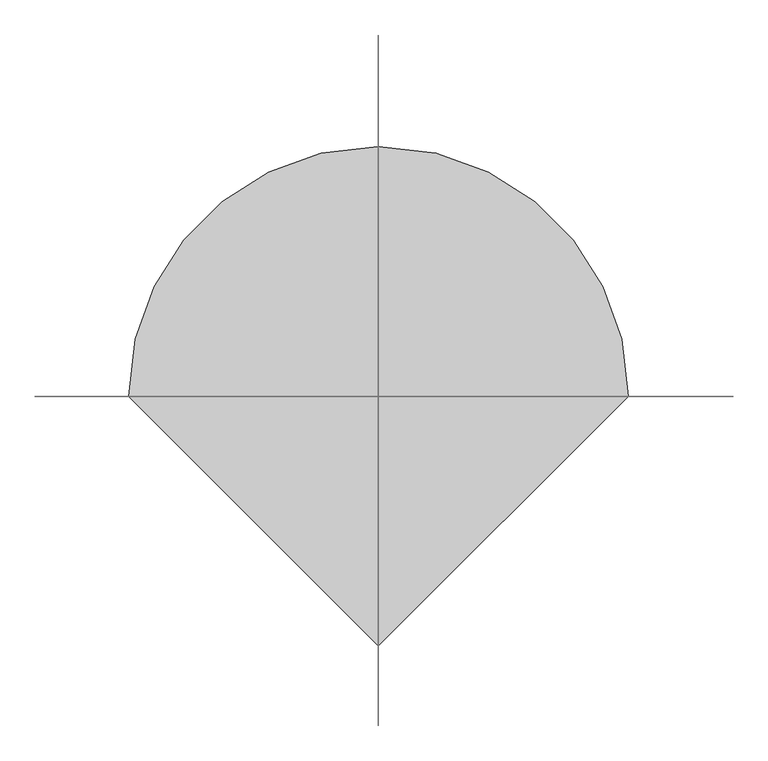
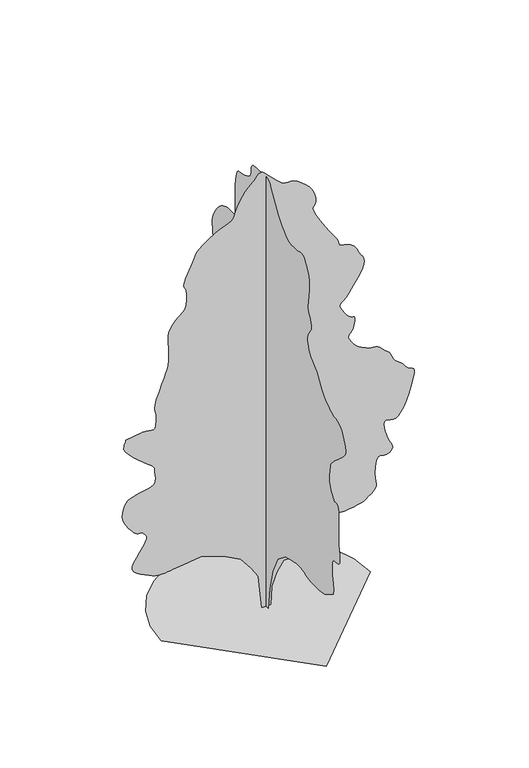
"""IFC4 building model written with IfcOpenShell, lengths in millimetres: geographic element geometry."""

from ifc_helpers import new_model, si_unit, origin, place, context, project, spatial, triangles, source, transform, mapped, element, save


def geographic_element_f8ac96a2(model_context):
    return source(origin(), model_context, "Body", "Tessellation", [
        triangles([(0.0009702, -113.8903684, 0.0), (0.0009702, 104.9033079, 0.0), (0.0009702, 123.1361794, 437.5878613), (0.0009702, 177.8345304, 729.3122423), (0.0009702, 323.695976, 1130.4323805), (0.0009702, 506.0246724, 1440.3905685), (0.0009702, 870.6795582, 1768.5802746), (0.0009702, 1217.103035, 1896.2098389), (0.0009702, 1399.4317314, 1823.2794067), (0.0009702, 1477.3590969, 1796.3301796), (0.0009702, 1554.013139, 1771.7700508), (0.0009702, 1628.1126858, 1751.9959671), (0.0009702, 1698.3871754, 1739.3994976), (0.0009702, 1763.5554359, 1736.3672699), (0.0009702, 1822.3466148, 1745.2987015), (0.0009702, 1873.4847725, 1768.5802746), (0.0009702, 1920.3683933, 1798.2414001), (0.0009702, 1967.2543396, 1825.0330788), (0.0009702, 2014.1379604, 1849.4330429), (0.0009702, 2061.0214359, 1871.9166996), (0.0009702, 2107.9049114, 1892.9691936), (0.0009702, 2154.791003, 1913.0611359), (0.0009702, 2201.6744785, 1932.6776711), (0.0009702, 2584.5657875, 1877.9785389), (0.0009702, 2650.9538864, 1862.4565212), (0.0009702, 2717.189669, 1847.572546), (0.0009702, 2783.0949486, 1833.9645103), (0.0009702, 2848.5426979, 1822.2703114), (0.0009702, 2913.3297318, 1813.1253754), (0.0009702, 2977.3287323, 1807.1728317), (0.0009702, 3040.3873833, 1805.0454906), (0.0009702, 3113.6890137, 1807.4372051), (0.0009702, 3202.6219574, 1815.2528618), (0.0009702, 3298.2390862, 1829.4454548), (0.0009702, 3391.6453033, 1850.9733559), (0.0009702, 3473.8681915, 1880.7946461), (0.0009702, 3536.0117821, 1919.865081), (0.0009702, 3569.129528, 1969.1428871), (0.0009702, 3581.5837097, 2022.776968), (0.0009702, 3588.2681854, 2074.4973576), (0.0009702, 3590.1744644, 2124.6265652), (0.0009702, 3588.2681854, 2173.4772171), (0.0009702, 3583.4899887, 2221.3724041), (0.0009702, 3576.7799332, 2268.6269325), (0.0009702, 3569.129528, 2315.5638931), (0.0009702, 3534.3595573, 2355.0611916), (0.0009702, 3502.0042648, 2397.1080437), (0.0009702, 3474.4018799, 2444.2583633), (0.0009702, 3453.9923698, 2499.0617043), (0.0009702, 3443.1648331, 2564.0798286), (0.0009702, 3444.2577896, 2641.8294434), (0.0009702, 3459.736496, 2734.9304466), (0.0009702, 3486.8051926, 2827.0402313), (0.0009702, 3517.6864471, 2902.5786438), (0.0009702, 3547.2965584, 2965.0271576), (0.0009702, 3570.5274078, 3017.919278), (0.0009702, 3582.270005, 3064.7620583), (0.0009702, 3577.4153595, 3109.0378441), (0.0009702, 3550.9059311, 3154.2792686), (0.0009702, 3512.0946373, 3195.2003174), (0.0009702, 3474.8846992, 3227.1998177), (0.0009702, 3440.877182, 3254.7513336), (0.0009702, 3411.622863, 3282.2775604), (0.0009702, 3388.7730949, 3314.2770607), (0.0009702, 3373.8789459, 3355.1978188), (0.0009702, 3368.5670609, 3409.5386879), (0.0009702, 3364.9071098, 3462.7863098), (0.0009702, 3357.1040977, 3500.7587013), (0.0009702, 3349.9112228, 3528.1834808), (0.0009702, 3348.1575508, 3549.8638435), (0.0009702, 3356.6212784, 3570.6038567), (0.0009702, 3380.0553131, 3595.1561371), (0.0009702, 3423.2634315, 3628.324752), (0.0009702, 3483.805957, 3682.2842491), (0.0009702, 3554.8963852, 3763.0330994), (0.0009702, 3634.7298843, 3866.097448), (0.0009702, 3721.5783623, 3987.0296013), (0.0009702, 3813.7137268, 4121.3565765), (0.0009702, 3909.3311462, 4264.6048096), (0.0009702, 4006.7275269, 4412.3260254), (0.0009702, 3897.3344948, 4521.7446373), (0.0009702, 3751.4683983, 4394.1024284), (0.0009702, 3605.6023018, 4230.012735), (0.0009702, 3582.0921089, 4261.5799942), (0.0009702, 3558.3019913, 4295.0791122), (0.0009702, 3533.825869, 4332.3907883), (0.0009702, 3508.4346863, 4375.4465904), (0.0009702, 3481.7470711, 4426.1527977), (0.0009702, 3453.4583908, 4486.4409782), (0.0009702, 3423.2634315, 4558.1921219), (0.0009702, 3392.2298607, 4631.6207794), (0.0009702, 3362.4668518, 4698.9495186), (0.0009702, 3335.2458389, 4765.3629066), (0.0009702, 3311.8623825, 4835.8940666), (0.0009702, 3293.5626274, 4915.6766968), (0.0009702, 3281.6674232, 5009.820369), (0.0009702, 3277.3976257, 5123.4070404), (0.0009702, 3269.2135323, 5238.2901443), (0.0009702, 3247.6346169, 5336.8812195), (0.0009702, 3217.1347343, 5425.3054733), (0.0009702, 3182.1615784, 5509.5363785), (0.0009702, 3147.1628426, 5595.7241409), (0.0009702, 3116.6626694, 5689.8416519), (0.0009702, 3095.0840446, 5798.0402802), (0.0009702, 3081.5877754, 5895.995929), (0.0009702, 3071.9040642, 5963.3499573), (0.0009702, 3065.4227737, 6011.8708328), (0.0009702, 3061.4831886, 6053.4014374), (0.0009702, 3059.4754623, 6099.6852402), (0.0009702, 3058.7130089, 6162.5657043), (0.0009702, 3058.6112709, 6253.8368774), (0.0009702, 3054.5699478, 6347.2939636), (0.0009702, 3044.1490723, 6416.5031113), (0.0009702, 3029.9159294, 6472.9537354), (0.0009702, 3014.3863541, 6528.1329254), (0.0009702, 3000.1529205, 6593.5300964), (0.0009702, 2989.732045, 6680.5817596), (0.0009702, 2985.6910126, 6800.8279083), (0.0009702, 2991.2572426, 6913.2710449), (0.0009702, 3003.5335281, 6981.3622375), (0.0009702, 3015.8351028, 7023.299794), (0.0009702, 3021.4013329, 7057.2564423), (0.0009702, 3013.5983208, 7101.4304901), (0.0009702, 2985.6910126, 7173.9946655), (0.0009702, 2930.9943512, 7293.1228592), (0.0009702, 2868.6219955, 7422.9759796), (0.0009702, 2820.6353897, 7519.3561432), (0.0009702, 2784.5945663, 7587.8281265), (0.0009702, 2758.1104271, 7633.959613), (0.0009702, 2738.8191628, 7663.366539), (0.0009702, 2724.3063858, 7681.5904266), (0.0009702, 2712.1827072, 7694.2477936), (0.0009702, 2638.2965195, 7706.295314), (0.0009702, 2566.4945068, 7720.4525894), (0.0009702, 2498.8201492, 7738.7270554), (0.0009702, 2437.3730278, 7763.2284668), (0.0009702, 2384.2140633, 7796.0415802), (0.0009702, 2341.4252506, 7839.1988297), (0.0009702, 2311.0701267, 7894.8105515), (0.0009702, 2290.8181652, 7956.2422668), (0.0009702, 2276.307859, 8015.7932831), (0.0009702, 2266.5783657, 8073.7182358), (0.0009702, 2260.6791618, 8130.3973343), (0.0009702, 2257.6495502, 8186.1102127), (0.0009702, 2256.5311592, 8241.1626663), (0.0009702, 2256.3736107, 8295.909906), (0.0009702, 2287.4708405, 8351.2169952), (0.0009702, 2317.6098438, 8410.0052673), (0.0009702, 2345.8350105, 8475.8088089), (0.0009702, 2371.1905849, 8552.134964), (0.0009702, 2392.7211021, 8642.5166565), (0.0009702, 2409.4655743, 8750.4100708), (0.0009702, 2420.468391, 8879.374292), (0.0009702, 2431.6847122, 9010.8290588), (0.0009702, 2445.4530579, 9127.2882294), (0.0009702, 2455.3934395, 9233.8852112), (0.0009702, 2455.1265953, 9335.6789978), (0.0009702, 2438.2752983, 9437.777417), (0.0009702, 2398.4601414, 9545.3150391), (0.0009702, 2329.3040428, 9663.3752747), (0.0009702, 2249.3560158, 9774.6498779), (0.0009702, 2178.6571335, 9861.3457489), (0.0009702, 2113.0620094, 9927.9370331), (0.0009702, 2048.4223503, 9978.9222931), (0.0009702, 1980.5955311, 10018.7256775), (0.0009702, 1905.430933, 10051.8434235), (0.0009702, 1818.7857857, 10082.7240967), (0.0009702, 1726.6656818, 10101.4566742), (0.0009702, 1639.9670494, 10102.9310028), (0.0009702, 1561.8795193, 10098.9905457), (0.0009702, 1495.593013, 10101.4566742), (0.0009702, 1444.2971615, 10122.0693695), (0.0009702, 1411.1792702, 10172.6732574), (0.0009702, 1399.4317314, 10265.0629669), (0.0009702, 1401.3455681, 10369.4751984), (0.0009702, 1405.8112839, 10455.052533), (0.0009702, 1410.9150421, 10532.0141144), (0.0009702, 1414.7402447, 10610.5767609), (0.0009702, 1415.3781418, 10700.9584534), (0.0009702, 1410.9150421, 10813.3248505), (0.0009702, 1399.4317314, 10957.9206757), (0.0009702, 1383.5921459, 11104.7268311), (0.0009702, 1366.4740047, 11219.3303009), (0.0009702, 1346.8066006, 11305.2390106), (0.0009702, 1323.3115231, 11365.9329803), (0.0009702, 1294.7126873, 11404.9480408), (0.0009702, 1259.7342991, 11425.7897919), (0.0009702, 1217.103035, 11431.9661591), (0.0009702, 1156.2403982, 11437.4809387), (0.0009702, 1074.0049381, 11453.8752869), (0.0009702, 980.2912542, 11480.765506), (0.0009702, 884.9789034, 11517.8737061), (0.0009702, 797.9625578, 11564.8440948), (0.0009702, 729.1241724, 11621.420874), (0.0009702, 688.3534052, 11687.2249969), (0.0009702, 673.3092653, 11757.0695709), (0.0009702, 668.4724966, 11824.0422272), (0.0009702, 663.953441, 11885.271048), (0.0009702, 649.8675276, 11937.9096954), (0.0009702, 616.3251709, 11979.0583466), (0.0009702, 553.4419089, 12005.8474091), (0.0009702, 451.3255403, 12015.4049652), (0.0009702, 328.0015635, 12019.089624), (0.0009702, 210.4196599, 12026.8926361), (0.0009702, 102.0858745, 12034.0608032), (0.0009702, 6.5099094, 12035.8141846), (0.0009702, -72.8000758, 12027.3751648), (0.0009702, -132.3357269, 12003.9417114), (0.0009702, -168.5887284, 11960.7083038), (0.0009702, -190.3829832, 11911.6031616), (0.0009702, -211.2205376, 11869.1824951), (0.0009702, -234.6091717, 11826.7618286), (0.0009702, -264.0583916, 11777.6322693), (0.0009702, -303.0754686, 11715.1325958), (0.0009702, -355.1693819, 11632.5283356), (0.0009702, -423.847639, 11523.1350128), (0.0009702, -499.9145076, 11406.6002655), (0.0009702, -572.4738868, 11305.3913269), (0.0009702, -642.4814232, 11216.9409119), (0.0009702, -710.8953432, 11138.6828979), (0.0009702, -778.6688227, 11068.1011597), (0.0009702, -846.7624861, 11002.602832), (0.0009702, -916.132089, 10939.6717896), (0.0009702, -984.3859171, 10887.6947296), (0.0009702, -1049.1321831, 10854.1956116), (0.0009702, -1111.3241718, 10835.3862946), (0.0009702, -1171.9249786, 10827.4065491), (0.0009702, -1231.8854176, 10826.440329), (0.0009702, -1292.1634243, 10828.6774017), (0.0009702, -1353.7199867, 10830.2784668), (0.0009702, -1420.0598328, 10835.869986), (0.0009702, -1491.503437, 10848.1459808), (0.0009702, -1564.2203648, 10860.4219757), (0.0009702, -1634.3881748, 10865.987915), (0.0009702, -1698.1762871, 10858.1860657), (0.0009702, -1751.7570282, 10830.2784668), (0.0009702, -1791.3078117, 10775.5818054), (0.0009702, -1825.3813133, 10707.9731415), (0.0009702, -1862.9623043, 10643.2119781), (0.0009702, -1900.8636246, 10577.5101746), (0.0009702, -1935.8928818, 10507.0295929), (0.0009702, -1964.8626251, 10427.9332581), (0.0009702, -1984.5859852, 10336.4074493), (0.0009702, -1991.8678082, 10228.5907745), (0.0009702, -1989.7404671, 10117.6463837), (0.0009702, -1983.7879234, 10017.5559814), (0.0009702, -1974.6456036, 9925.75112), (0.0009702, -1962.9514046, 9839.690094), (0.0009702, -1949.3433689, 9756.8323608), (0.0009702, -1934.4593937, 9674.6094727), (0.0009702, -1918.937376, 9590.455307), (0.0009702, -1915.5874352, 9511.6124451), (0.0009702, -1932.3319073, 9444.2584167), (0.0009702, -1962.471056, 9384.2498703), (0.0009702, -1999.3097958, 9327.4184555), (0.0009702, -2036.1486809, 9269.6464005), (0.0009702, -2066.2876842, 9206.7659363), (0.0009702, -2083.0321564, 9134.6331299), (0.0009702, -2082.5544239, 9064.6106598), (0.0009702, -2068.0415016, 9007.7025055), (0.0009702, -2043.3238243, 8959.0554749), (0.0009702, -2012.2265945, 8913.9152069), (0.0009702, -1978.5801018, 8867.5046677), (0.0009702, -1946.2069324, 8815.0444977), (0.0009702, -1918.937376, 8751.7320831), (0.0009702, -1903.0951744, 8679.3963821), (0.0009702, -1901.6083466, 8603.8579697), (0.0009702, -1913.1957207, 8526.4132782), (0.0009702, -1936.5841187, 8448.3337418), (0.0009702, -1970.4976009, 8370.8640518), (0.0009702, -2013.6625534, 8295.3256393), (0.0009702, -2064.7983856, 8222.9899384), (0.0009702, -2117.5835358, 8163.4133423), (0.0009702, -2167.8169521, 8119.1119766), (0.0009702, -2217.4124714, 8080.91082), (0.0009702, -2268.2837849, 8039.4819534), (0.0009702, -2322.3450199, 7985.6491928), (0.0009702, -2381.5072517, 7910.1113617), (0.0009702, -2447.6869331, 7803.6411163), (0.0009702, -2517.1100212, 7689.1899628), (0.0009702, -2585.5822952, 7593.5725433), (0.0009702, -2654.3597832, 7513.2303543), (0.0009702, -2724.7383362, 7444.7327911), (0.0009702, -2797.9890976, 7384.4951889), (0.0009702, -2875.3829201, 7329.0619446), (0.0009702, -2958.2156548, 7274.8733917), (0.0009702, -3041.988739, 7232.0463547), (0.0009702, -3121.6190529, 7206.7316208), (0.0009702, -3197.4115196, 7189.7280075), (0.0009702, -3269.6963516, 7171.7581741), (0.0009702, -3338.804052, 7143.596521), (0.0009702, -3405.0398346, 7095.9657074), (0.0009702, -3468.7339119, 7019.6145538), (0.0009702, -3527.5733437, 6926.1318878), (0.0009702, -3577.7967316, 6834.2252884), (0.0009702, -3617.5227951, 6745.4958206), (0.0009702, -3644.7693878, 6661.5701294), (0.0009702, -3657.7063889, 6583.9987015), (0.0009702, -3654.3516518, 6514.4337616), (0.0009702, -3632.8236053, 6454.3996353), (0.0009702, -3592.3603775, 6396.7293182), (0.0009702, -3536.9268425, 6334.585437), (0.0009702, -3471.6058296, 6270.2306442), (0.0009702, -3401.4816216, 6205.8502716), (0.0009702, -3331.6873352, 6143.7063904), (0.0009702, -3267.3072533, 6086.0360733), (0.0009702, -3213.4747833, 6035.0502319), (0.0009702, -3163.8615326, 5989.0210648), (0.0009702, -3111.4016533, 5943.6267426), (0.0009702, -3059.8821236, 5897.2667816), (0.0009702, -3013.1663704, 5848.3656967), (0.0009702, -2975.0666611, 5795.3206787), (0.0009702, -2949.3705551, 5736.5324066), (0.0009702, -2939.966478, 5670.3980713), (0.0009702, -2936.103051, 5601.0871857), (0.0009702, -2926.8007118, 5533.3517853), (0.0009702, -2915.5665138, 5466.6076035), (0.0009702, -2905.9589607, 5400.1430557), (0.0009702, -2901.4348183, 5333.3738754), (0.0009702, -2905.5270103, 5265.6640549), (0.0009702, -2921.7425903, 5196.3525879), (0.0009702, -2946.7779808, 5129.7357239), (0.0009702, -2974.6855797, 5069.8289154), (0.0009702, -3004.9822769, 5015.5136261), (0.0009702, -3037.1849625, 4965.6457397), (0.0009702, -3070.8366875, 4919.1334625), (0.0009702, -3105.4540512, 4874.8579674), (0.0009702, -3140.5289452, 4831.7004272), (0.0009702, -3183.2289551, 4838.4866409), (0.0009702, -3224.1497131, 4839.2490944), (0.0009702, -3261.5631271, 4827.8625801), (0.0009702, -3293.7405235, 4798.3030472), (0.0009702, -3318.8773613, 4744.5214462), (0.0009702, -3335.2458389, 4660.4178589), (0.0009702, -3341.091703, 4539.9685249), (0.0009702, -3341.091703, 3938.280542), (0.0009702, -3347.8014679, 3760.110022), (0.0009702, -3363.4327812, 3613.5070518), (0.0009702, -3381.2752968, 3494.3285706), (0.0009702, -3394.669828, 3398.431517), (0.0009702, -3396.9066101, 3321.6734116), (0.0009702, -3381.2752968, 3259.8856133), (0.0009702, -3341.091703, 3208.97593), (0.0009702, -3283.7263092, 3180.3314575), (0.0009702, -3223.8192101, 3176.2392654), (0.0009702, -3165.5134666, 3178.8318398), (0.0009702, -3112.9518494, 3170.2663742), (0.0009702, -3070.2521301, 3132.7006439), (0.0009702, -3041.6073669, 3048.2159752), (0.0009702, -3031.1359131, 2899.0201401), (0.0009702, -3038.0491539, 2734.6002342), (0.0009702, -3055.1545052, 2610.6941345), (0.0009702, -3077.063633, 2518.6782394), (0.0009702, -3098.3373344, 2449.9466789), (0.0009702, -3113.5366974, 2395.8854439), (0.0009702, -3117.2475174, 2347.8835773), (0.0009702, -3104.0561714, 2297.3324478), (0.0009702, -3091.0935905, 2255.656794), (0.0009702, -3091.8307549, 2234.0755531), (0.0009702, -3095.4654167, 2223.6572937), (0.0009702, -3091.0935905, 2215.4705841), (0.0009702, -3067.9136101, 2200.5866089), (0.0009702, -3015.0726494, 2170.0739365), (0.0009702, -2921.7425903, 2115.0037514), (0.0009702, -2824.1936028, 2054.1919109), (0.0009702, -2755.3655365, 2010.2847073), (0.0009702, -2699.2709953, 1980.0923641), (0.0009702, -2639.9993225, 1960.4249599), (0.0009702, -2561.6145721, 1948.0928638), (0.0009702, -2448.113942, 1939.9061543), (0.0009702, -2283.5922981, 1932.6776711), (0.0009702, -2107.2721012, 1934.9625607), (0.0009702, -1964.7584164, 1953.1938606), (0.0009702, -1849.6719818, 1980.9971054), (0.0009702, -1755.6381866, 2011.9851849), (0.0009702, -1676.2747169, 2039.7858135), (0.0009702, -1605.2047817, 2058.0197296), (0.0009702, -1536.0486832, 2060.3046192), (0.0009702, -1461.4686424, 2050.3642376), (0.0009702, -1379.2357258, 2036.5985081), (0.0009702, -1290.6231113, 2019.6406769), (0.0009702, -1196.9070293, 2000.133292), (0.0009702, -1099.3655994, 1978.7095997), (0.0009702, -999.2698923, 1956.0125839), (0.0009702, -897.9007164, 1932.6776711), (0.0009702, -533.2433235, 1640.9507103), (0.0009702, -314.4519545, 1166.90014), (0.0009702, -168.5887284, 601.682678), (120.2564769, -0.0005338, 0.0085401), (-116.7693169, -0.0005338, 0.0085401), (-171.467677, -0.0004852, 656.3894405), (-207.9336561, -0.0004852, 911.6485691), (-390.2621163, -0.000461, 1203.3729864), (-663.7526539, -0.0004367, 1549.7965359), (-1137.805695, -0.0004124, 1805.0556644), (-1721.2570004, -0.0004124, 1987.3818901), (-2195.3075706, -0.0004124, 1932.6852287), (-2468.8007607, -0.0004124, 1896.2200127), (-2535.4583199, -0.0004124, 1886.7040237), (-2609.1436478, -0.0004124, 1875.9120953), (-2687.9097702, -0.0004124, 1867.0366196), (-2769.8783134, -0.0004124, 1863.262286), (-2853.1177094, -0.0004124, 1867.7813416), (-2935.7219696, -0.0004124, 1883.7810917), (-3015.7842339, -0.0004124, 1914.4513126), (-3106.3182426, -0.0004124, 1956.8716885), (-3213.0934113, -0.0004124, 2005.9868591), (-3323.4015038, -0.0004124, 2061.804237), (-3424.4581261, -0.0004124, 2124.3164097), (-3503.5038826, -0.0003882, 2193.525848), (-3547.7796684, -0.0003882, 2269.4326973), (-3544.5263786, -0.0003882, 2352.039283), (-3497.4801224, -0.0003882, 2448.8383163), (-3427.1777275, -0.0003882, 2561.5889923), (-3345.9969269, -0.0003639, 2681.6572449), (-3266.417482, -0.0003639, 2800.4799339), (-3200.8679947, -0.0003639, 2909.3901466), (-3161.8026466, -0.0003397, 2999.7971283), (-3161.6503304, -0.0003397, 3063.1098335), (-3185.0843651, -0.0003397, 3105.2252861), (-3208.5183998, -0.0003397, 3138.699115), (-3231.9780144, -0.0003397, 3165.0306473), (-3255.4120491, -0.0003397, 3185.5927643), (-3278.8463745, -0.0003397, 3201.8592133), (-3302.3056984, -0.0003397, 3215.2540352), (-3325.7400238, -0.0003397, 3227.2251068), (-3349.3519547, -0.0003397, 3223.6921829), (-3373.9045258, -0.0003397, 3222.5992264), (-3400.3630852, -0.0003397, 3226.2591774), (-3429.7194328, -0.0003397, 3237.112294), (-3462.8880478, -0.0003397, 3257.521804), (-3500.8351501, -0.0003397, 3289.8770966), (-3544.5263786, -0.0003397, 3336.6181389), (-3595.9950394, -0.0003397, 3397.7452217), (-3652.5468201, -0.0003154, 3470.66548), (-3708.1585419, -0.0003154, 3553.8034286), (-3756.729705, -0.0003154, 3645.5574211), (-3792.2368401, -0.0003154, 3744.3263924), (-3808.6303162, -0.0002911, 3848.5089867), (-3799.7855072, -0.0002911, 3956.5297188), (-3773.9112144, -0.0002911, 4054.2313133), (-3742.2675064, -0.0002911, 4130.8876808), (-3703.6343994, -0.0002911, 4189.9814575), (-3656.6898811, -0.0002669, 4235.0705658), (-3600.1886787, -0.0002669, 4269.6117714), (-3532.8346504, -0.0002669, 4297.1632874), (-3453.3822327, -0.0002669, 4321.1821701), (-3359.0103767, -0.0002669, 4341.1594391), (-3254.4716995, -0.0002669, 4358.2903702), (-3149.5772301, -0.0002669, 4378.5981422), (-3054.2650246, -0.0002669, 4408.1576752), (-2978.4216888, -0.0002669, 4453.0180183), (-2931.9094116, -0.0002669, 4519.253801), (-2924.6147987, -0.0002669, 4612.9140724), (-2935.5184937, -0.0002426, 4710.7174049), (-2940.3475594, -0.0002426, 4788.1109367), (-2944.2365662, -0.0002426, 4849.2380196), (-2952.2680527, -0.0002426, 4898.2411331), (-2969.5260109, -0.0002426, 4939.289209), (-3001.1697189, -0.0002426, 4976.499147), (-3052.2570076, -0.0002426, 5014.0392975), (-3137.5552895, -0.0002184, 5075.3698563), (-3257.0134048, -0.0002184, 5172.1052307), (-3393.3481064, -0.0002184, 5290.5468384), (-3529.3778847, -0.0002184, 5416.9437744), (-3647.8703613, -0.0001941, 5537.6218735), (-3731.5925766, -0.0001941, 5638.8308121), (-3763.3380226, -0.0001941, 5706.870845), (-3761.7366669, -0.0001941, 5751.0960526), (-3757.2633934, -0.0001941, 5790.542482), (-3750.4010216, -0.0001941, 5825.9990387), (-3741.6320801, -0.0001698, 5858.2523026), (-3731.4402603, -0.0001698, 5888.1423386), (-3720.2822205, -0.0001698, 5916.4057297), (-3708.6413612, -0.0001698, 5943.9063766), (-3271.0433624, -0.0001698, 6016.8269257), (-3176.2139763, -0.0001698, 6018.4279907), (-3095.0840446, -0.0001698, 6002.7969681), (-3028.0096504, -0.0001698, 5986.1997253), (-2975.270137, -0.0001698, 5984.9288727), (-2937.2212967, -0.0001698, 6015.2252792), (-2914.1430542, -0.0001698, 6093.3815552), (-2906.3912018, -0.0001698, 6235.6129898), (-2912.8722015, -0.0001456, 6381.32677), (-2927.0038971, -0.0001456, 6474.7326965), (-2940.8306694, -0.0001456, 6539.4182831), (-2946.3713196, -0.0001456, 6598.9948792), (-2935.6202316, -0.0001213, 6677.0999954), (-2900.646785, -0.0001213, 6797.2694046), (-2833.4453636, -0.0001213, 6983.1667786), (-2756.1532791, -9.7e-05, 7180.2727707), (-2695.1535141, -9.7e-05, 7329.8496872), (-2648.7935532, -9.7e-05, 7449.1296158), (-2615.5232002, -7.28e-05, 7555.3458069), (-2593.7158104, -7.28e-05, 7665.7047684), (-2581.8208969, -7.28e-05, 7797.4135895), (-2578.186235, -4.85e-05, 7967.7305191), (-2581.6935791, -4.85e-05, 8141.3007385), (-2588.4036346, -4.85e-05, 8277.8644958), (-2592.5466957, -2.43e-05, 8387.3083969), (-2588.4036346, -2.43e-05, 8479.5452087), (-2570.2309067, -2.43e-05, 8564.4365387), (-2532.2710144, -2.43e-05, 8651.8701553), (-2468.8007607, 0.0, 8751.7570816), (-2395.1254612, 0.0, 8844.6043213), (-2330.3791225, 0.0, 8909.7218582), (-2274.5642155, 0.0, 8955.0650208), (-2227.68074, 0.0, 8988.6147171), (-2189.7260799, 0.0, 9018.326857), (-2160.7028515, 0.0, 9052.1817673), (-2140.6084385, 0.0, 9098.1603561), (-2127.1072277, 2.43e-05, 9141.3431854), (-2117.4335449, 2.43e-05, 9168.8694122), (-2110.9473129, 2.43e-05, 9191.9476547), (-2107.0152855, 2.43e-05, 9221.7109543), (-2104.9947693, 2.43e-05, 9269.3411865), (-2104.2500473, 2.43e-05, 9345.9981354), (-2104.1458385, 2.43e-05, 9462.8380966), (-2114.4572731, 4.85e-05, 9573.8324844), (-2137.5279579, 4.85e-05, 9640.805722), (-2161.5543983, 4.85e-05, 9686.7331512), (-2174.7354252, 4.85e-05, 9734.5674408), (-2165.2753922, 4.85e-05, 9807.2839325), (-2121.3655724, 7.28e-05, 9927.8358765), (-2031.2127903, 7.28e-05, 10119.1974518), (-1940.7398243, 7.28e-05, 10312.5926239), (-1890.1352097, 9.7e-05, 10438.3535522), (-1858.9846401, 9.7e-05, 10518.2126312), (-1826.878315, 9.7e-05, 10573.7987732), (-1773.4017826, 9.7e-05, 10626.8687897), (-1678.1453876, 9.7e-05, 10699.051593), (-1520.6945332, 0.0001213, 10812.0539978), (-1342.5671791, 0.0001213, 10924.4715546), (-1196.3325731, 0.0001213, 10992.588327), (-1078.1655853, 0.0001213, 11034.5264648), (-984.2359262, 0.0001213, 11068.4825317), (-910.7208641, 0.0001213, 11112.6565796), (-853.7901821, 0.0001456, 11185.220755), (-809.6160616, 0.0001456, 11304.34953), (-760.4450804, 0.0001456, 11447.9779724), (-695.3276888, 0.0001698, 11580.450119), (-620.643512, 0.0001698, 11699.5009918), (-542.7694862, 0.0001698, 11802.9470032), (-468.0827296, 0.0001698, 11888.5243378), (-402.9678815, 0.0001698, 11954.0238281), (-353.7968639, 0.0001941, 11997.1804962), (-315.471151, 0.0001941, 12037.745462), (-277.1428764, 0.0001941, 12089.4690491), (-236.5850686, 0.0001941, 12141.1914734), (-191.5607819, 0.0001941, 12181.7564392), (-139.8392205, 0.0001941, 12199.9797455), (-79.1872722, 0.0001941, 12184.7295135), (-7.3724481, 0.0001941, 12124.8227051), (68.5354197, 0.0001941, 12043.2102448), (139.977993, 0.0001941, 11969.908905), (206.9556271, 0.0001698, 11904.2570984), (269.4670549, 0.0001698, 11845.6467224), (327.5160916, 0.0001698, 11793.3906097), (381.0968691, 0.0001698, 11746.8783325), (430.2145105, 0.0001698, 11705.4738831), (477.6292036, 0.0001698, 11680.1079895), (528.2362527, 0.0001698, 11674.5164703), (585.2203471, 0.0001698, 11677.2360718), (651.7711905, 0.0001698, 11676.7535431), (731.0812477, 0.0001698, 11661.6044678), (826.3377153, 0.0001698, 11620.3035004), (940.7328403, 0.0001456, 11541.3594818), (1053.7961426, 0.0001456, 11441.8527649), (1144.2183123, 0.0001456, 11345.8539734), (1213.9056284, 0.0001456, 11252.3968872), (1264.7770145, 0.0001456, 11160.5420288), (1298.7438366, 0.0001213, 11069.3208527), (1317.7198586, 0.0001213, 10977.7962067), (1323.6215332, 0.0001213, 10884.9751282), (1311.5003254, 0.0001213, 10814.3922272), (1284.7112629, 0.0001213, 10775.7085419), (1257.5994003, 0.0001213, 10747.1916779), (1244.5224369, 9.7e-05, 10707.2359772), (1259.8334209, 9.7e-05, 10634.0869537), (1317.8800232, 9.7e-05, 10506.0889526), (1433.0173267, 7.28e-05, 10301.536322), (1569.3648182, 7.28e-05, 10081.0462921), (1682.1104073, 4.85e-05, 9912.8646973), (1772.2123203, 4.85e-05, 9786.7735565), (1840.6236969, 4.85e-05, 9692.579306), (1888.3052341, 4.85e-05, 9620.0657089), (1916.2126877, 4.85e-05, 9559.0403641), (1925.3042839, 2.43e-05, 9499.2858719), (1944.8648632, 2.43e-05, 9450.4859436), (1996.9587765, 2.43e-05, 9421.4598083), (2071.6963657, 2.43e-05, 9400.7453751), (2159.1930599, 2.43e-05, 9376.8282303), (2249.5593464, 2.43e-05, 9338.2207031), (2332.9106541, 2.43e-05, 9273.4845383), (2399.357325, 2.43e-05, 9171.106485), (2456.2346672, 0.0, 9061.1794739), (2512.7942963, 0.0, 8974.8388138), (2562.0212334, 0.0, 8902.2234787), (2596.892942, 0.0, 8833.4462814), (2610.3889206, 0.0, 8758.594455), (2595.4947716, -2.43e-05, 8667.8063919), (2545.2208054, -2.43e-05, 8551.1949051), (2482.9728607, -2.43e-05, 8437.658812), (2433.4843117, -2.43e-05, 8355.0289719), (2391.6484932, -2.43e-05, 8291.8944534), (2352.3645538, -4.85e-05, 8236.714682), (2310.5313515, -4.85e-05, 8178.0275665), (2261.0426571, -4.85e-05, 8104.3448547), (2198.7947124, -4.85e-05, 8004.2032928), (2128.4161594, -4.85e-05, 7909.2218811), (2062.1829929, -7.28e-05, 7849.3144913), (2006.4747654, -7.28e-05, 7810.4523285), (1967.6687038, -7.28e-05, 7778.6054352), (1952.1466862, -7.28e-05, 7739.7432724), (1966.2885555, -7.28e-05, 7679.8364639), (2016.4686321, -7.28e-05, 7584.8544708), (2082.0104164, -7.28e-05, 7483.0612656), (2138.9410984, -9.7e-05, 7408.9971817), (2188.6941662, -9.7e-05, 7358.0874985), (2232.7106655, -9.7e-05, 7325.6557571), (2272.4165268, -9.7e-05, 7307.1016571), (2309.2554119, -9.7e-05, 7297.7993179), (2344.6581928, -9.7e-05, 7293.1228592), (2348.3791866, -9.7e-05, 7265.4187363), (2350.9844055, -9.7e-05, 7235.6554367), (2351.3554585, -9.7e-05, 7201.7499481), (2348.3791866, -9.7e-05, 7161.6169327), (2340.937199, -9.7e-05, 7113.1983765), (2327.9137207, -0.0001213, 7054.409523), (2308.1929768, -0.0001213, 6983.1667786), (2279.3272968, -0.0001213, 6918.9643021), (2244.7225777, -0.0001213, 6875.7814728), (2212.0316952, -0.0001213, 6843.4770493), (2188.9076706, -0.0001213, 6811.7824722), (2183.0084667, -0.0001213, 6770.5315018), (2201.9844887, -0.0001213, 6709.5061569), (2253.4938446, -0.0001456, 6618.5146179), (2323.6615093, -0.0001456, 6523.7866791), (2392.871093, -0.0001456, 6454.5775314), (2460.1666946, -0.0001456, 6405.1421768), (2524.592704, -0.0001456, 6369.7367798), (2585.2012138, -0.0001456, 6342.6169235), (2641.0161209, -0.0001456, 6318.0643524), (2691.0869019, -0.0001456, 6290.3096512), (2740.0391464, -0.0001456, 6267.8924149), (2792.4990257, -0.0001456, 6258.2087036), (2847.5261902, -0.0001698, 6253.9641953), (2904.1291306, -0.0001698, 6247.7878281), (2961.3927864, -0.0001698, 6232.3852798), (3018.3259392, -0.0001698, 6200.3854889), (3073.9629501, -0.0001698, 6144.4691345), (3123.499752, -0.0001698, 6088.0696701), (3164.4460899, -0.0001698, 6052.7148514), (3199.3177986, -0.0001698, 6028.2134399), (3230.6818726, -0.0001698, 6004.3474548), (3261.0800171, -0.0001698, 5970.8989151), (3293.0795174, -0.0001698, 5917.7021622), (3329.2220787, -0.0001941, 5834.5136353), (3369.5326996, -0.0001941, 5750.0792542), (3412.6902397, -0.0001941, 5692.7903091), (3459.3551239, -0.0001941, 5651.7422333), (3510.1630692, -0.0001941, 5616.1339417), (3565.7745003, -0.0001941, 5575.0858658), (3626.7998451, -0.0001941, 5517.7969208), (3693.8742393, -0.0002184, 5433.3881195), (3762.397673, -0.0002184, 5358.4345551), (3824.5412636, -0.0002184, 5322.6989456), (3876.1625313, -0.0002184, 5305.1610626), (3913.0928352, -0.0002184, 5284.7518433), (3931.240274, -0.0002184, 5240.4248978), (3926.3856285, -0.0002184, 5151.1111633), (3894.4369972, -0.0002426, 4995.7904114), (3842.4090683, -0.0002426, 4804.5808617), (3781.7395157, -0.0002669, 4624.8598549), (3715.0464935, -0.0002669, 4461.4055878), (3644.8202568, -0.0002669, 4318.996257), (3573.6536705, -0.0002911, 4202.4356392), (3504.0628601, -0.0002911, 4116.4766418), (3438.6151108, -0.0002911, 4065.9230415), (3370.8035522, -0.0002911, 4054.7141327), (3297.8580048, -0.0002911, 4069.9640739), (3228.1145874, -0.0002911, 4091.2886444), (3169.859713, -0.0002911, 4098.2527542), (3131.3789223, -0.0002911, 4070.447184), (3120.9583374, -0.0002911, 3987.4618423), (3146.9084976, -0.0002911, 3828.8875099), (3198.9364265, -0.0003154, 3650.9201752), (3255.1327057, -0.0003154, 3516.974572), (3306.2199944, -0.0003154, 3417.4684364), (3342.947113, -0.0003397, 3342.8197952), (3356.0620102, -0.0003397, 3283.4975441), (3336.3640846, -0.0003397, 3229.9194191), (3274.5254173, -0.0003397, 3172.5031563), (3194.0056229, -0.0003397, 3136.309726), (3123.6779388, -0.0003397, 3137.4282623), (3062.601725, -0.0003397, 3152.9069687), (3009.8113426, -0.0003397, 3159.7693405), (2964.3664421, -0.0003397, 3135.039164), (2925.3010941, -0.0003397, 3055.7899315), (2891.649369, -0.0003639, 2899.0201401), (2877.9752037, -0.0003639, 2720.900489), (2889.514325, -0.0003882, 2585.8110603), (2911.2455566, -0.0003882, 2483.2830162), (2928.2238808, -0.0003882, 2402.7504318), (2925.402832, -0.0003882, 2333.7011581), (2887.8115219, -0.0003882, 2265.6074947), (2800.4799339, -0.0003882, 2187.9443573), (2703.3631874, -0.0004124, 2116.500753), (2637.5084862, -0.0004124, 2069.6172775), (2589.4965912, -0.0004124, 2040.5940491), (2545.9579697, -0.0004124, 2022.733802), (2493.4954742, -0.0004124, 2009.3366547), (2418.7045452, -0.0004124, 1993.7079575), (2308.1929768, -0.0004124, 1969.1504448), (2183.5396843, -0.0004124, 1948.1537613), (2072.2835392, -0.0004124, 1944.0592438), (1969.9562096, -0.0004124, 1951.4503624), (1872.0945957, -0.0004124, 1964.8982334), (1774.2329819, -0.0004124, 1978.9841469), (1671.9056522, -0.0004124, 1988.2866314), (1560.6493618, -0.0004124, 1987.3818901), (1455.6634735, -0.0004124, 1977.4413631), (1372.6858349, -0.0004124, 1963.675779), (1308.0463211, -0.0004124, 1946.7178024), (1258.0797489, -0.0004124, 1927.2105629), (1219.1160662, -0.0004124, 1905.7868706), (1187.4876188, -0.0004124, 1883.0898548), (1159.5267529, -0.0004124, 1859.7547966), (1159.2064962, -0.0004367, 1762.4244003), (1156.9749464, -0.0004367, 1667.1653893), (1150.9131071, -0.0004367, 1576.0569969), (1139.1146994, -0.0004367, 1491.1653763), (1119.6582561, -0.0004367, 1414.5648193), (1090.6350277, -0.000461, 1348.3316528), (1050.1285612, -0.000461, 1294.5374073), (1004.8386658, -0.000461, 1252.4372154), (962.4208334, -0.000461, 1218.9482712), (922.3921721, -0.000461, 1192.6370138), (884.2799635, -0.000461, 1172.0647957), (847.601243, -0.000461, 1155.7981287), (811.8806763, -0.000461, 1142.401054), (776.6379873, -0.000461, 1130.4425543), (466.6797266, -0.000461, 1130.4425543), (284.3510302, -0.0004852, 856.949437), (156.7227194, -0.0005095, 510.5259602), (-2767.8705872, 0.0, 0.0100928), (-2694.6959839, 634.2159393, 0.0100928), (-2486.310157, 1216.6404905, 0.0100928), (-2159.3761883, 1730.5900063, 0.0100928), (-1730.5900063, 2159.3761883, 0.0100928), (-1216.6404905, 2486.310157, 0.0100928), (-634.2159393, 2694.6959839, 0.0100928), (0.000121, 2767.8705872, 0.0100928), (634.2159393, 2694.6959839, 0.0100928), (1216.6404905, 2486.310157, 0.0100928), (1730.5900063, 2159.3761883, 0.0100928), (2159.3761883, 1730.5900063, 0.0100928), (2486.310157, 1216.6404905, 0.0100928), (2694.6959839, 634.2159393, 0.0100928), (2767.8705872, -0.0002426, 0.0100928), (-0.000363, -2767.8705872, 0.0100928)], [[2, 1, 3], [1, 388, 3], [3, 388, 4], [388, 387, 4], [4, 387, 5], [81, 80, 82], [80, 79, 82], [82, 79, 83], [79, 78, 83], [78, 77, 83], [5, 387, 6], [387, 386, 6], [77, 76, 83], [6, 386, 7], [360, 359, 361], [361, 359, 362], [386, 385, 7], [76, 75, 83], [83, 75, 84], [84, 75, 85], [75, 74, 85], [74, 73, 85], [85, 73, 86], [73, 72, 86], [86, 72, 87], [359, 358, 362], [362, 358, 363], [87, 72, 88], [132, 131, 133], [72, 71, 88], [131, 130, 133], [130, 129, 133], [88, 71, 89], [45, 44, 46], [129, 128, 133], [89, 71, 90], [208, 207, 209], [209, 207, 210], [207, 206, 210], [206, 205, 210], [210, 205, 211], [211, 205, 212], [205, 204, 212], [212, 204, 213], [204, 203, 213], [213, 203, 214], [214, 203, 215], [203, 202, 215], [215, 202, 216], [202, 201, 216], [201, 200, 216], [200, 199, 216], [199, 198, 216], [198, 197, 216], [197, 196, 216], [196, 195, 216], [195, 194, 216], [216, 194, 217], [194, 193, 217], [217, 193, 218], [218, 193, 219], [193, 192, 219], [219, 192, 220], [192, 191, 220], [220, 191, 221], [221, 191, 222], [191, 190, 222], [222, 190, 223], [133, 128, 134], [128, 127, 134], [90, 71, 91], [236, 235, 237], [235, 234, 237], [234, 233, 237], [237, 233, 238], [233, 232, 238], [238, 232, 239], [232, 231, 239], [239, 231, 240], [240, 231, 241], [241, 231, 242], [231, 230, 242], [242, 230, 243], [243, 230, 244], [244, 230, 245], [230, 229, 245], [245, 229, 246], [229, 228, 246], [246, 228, 247], [228, 227, 247], [247, 227, 248], [248, 227, 249], [227, 226, 249], [249, 226, 250], [250, 226, 251], [226, 225, 251], [251, 225, 252], [225, 224, 252], [91, 71, 92], [190, 189, 223], [331, 330, 332], [332, 330, 333], [330, 329, 333], [333, 329, 334], [329, 328, 334], [334, 328, 335], [335, 328, 336], [328, 327, 336], [7, 385, 8], [343, 342, 344], [342, 341, 344], [344, 341, 345], [341, 340, 345], [345, 340, 346], [340, 339, 346], [346, 339, 347], [339, 338, 347], [338, 337, 347], [347, 337, 348], [337, 336, 348], [336, 327, 348], [327, 326, 348], [326, 325, 348], [325, 324, 348], [324, 323, 348], [127, 126, 134], [134, 126, 135], [358, 357, 363], [363, 357, 364], [357, 356, 364], [356, 355, 364], [355, 354, 364], [354, 353, 364], [364, 353, 365], [353, 352, 365], [365, 352, 366], [366, 352, 367], [367, 352, 368], [368, 352, 369], [369, 352, 370], [352, 351, 370], [370, 351, 371], [371, 351, 372], [351, 350, 372], [372, 350, 373], [373, 350, 374], [374, 350, 375], [375, 350, 376], [350, 349, 376], [376, 349, 377], [349, 348, 377], [348, 323, 377], [377, 323, 378], [378, 323, 379], [379, 323, 380], [323, 322, 380], [380, 322, 381], [381, 322, 382], [322, 321, 382], [382, 321, 383], [383, 321, 384], [384, 321, 385], [385, 321, 8], [321, 320, 8], [320, 319, 8], [319, 318, 8], [318, 317, 8], [317, 316, 8], [316, 315, 8], [315, 314, 8], [314, 313, 8], [58, 57, 59], [57, 56, 59], [59, 56, 60], [56, 55, 60], [60, 55, 61], [55, 54, 61], [61, 54, 62], [54, 53, 62], [62, 53, 63], [63, 53, 64], [53, 52, 64], [37, 36, 38], [38, 36, 39], [36, 35, 39], [39, 35, 40], [40, 35, 41], [35, 34, 41], [41, 34, 42], [42, 34, 43], [34, 33, 43], [43, 33, 44], [44, 33, 46], [46, 33, 47], [33, 32, 47], [47, 32, 48], [32, 31, 48], [31, 30, 48], [48, 30, 49], [30, 29, 49], [29, 28, 49], [28, 27, 49], [27, 26, 49], [49, 26, 50], [26, 25, 50], [25, 24, 50], [50, 24, 51], [24, 23, 51], [51, 23, 52], [52, 23, 64], [64, 23, 65], [65, 23, 66], [66, 23, 67], [67, 23, 68], [68, 23, 69], [69, 23, 70], [23, 22, 70], [22, 21, 70], [21, 20, 70], [20, 19, 70], [19, 18, 70], [126, 125, 135], [135, 125, 136], [223, 189, 224], [224, 189, 252], [252, 189, 253], [189, 188, 253], [188, 187, 253], [187, 186, 253], [186, 185, 253], [185, 184, 253], [184, 183, 253], [183, 182, 253], [182, 181, 253], [181, 180, 253], [180, 179, 253], [179, 178, 253], [178, 177, 253], [177, 176, 253], [176, 175, 253], [175, 174, 253], [174, 173, 253], [173, 172, 253], [253, 172, 254], [254, 172, 255], [255, 172, 256], [256, 172, 257], [257, 172, 258], [258, 172, 259], [259, 172, 260], [260, 172, 261], [261, 172, 262], [262, 172, 263], [263, 172, 264], [264, 172, 265], [265, 172, 266], [266, 172, 267], [267, 172, 268], [268, 172, 269], [172, 171, 269], [269, 171, 270], [270, 171, 271], [171, 170, 271], [271, 170, 272], [170, 169, 272], [169, 168, 272], [168, 167, 272], [167, 166, 272], [166, 165, 272], [165, 164, 272], [164, 163, 272], [163, 162, 272], [162, 161, 272], [161, 160, 272], [160, 159, 272], [159, 158, 272], [158, 157, 272], [157, 156, 272], [156, 155, 272], [155, 154, 272], [154, 153, 272], [153, 152, 272], [152, 151, 272], [151, 150, 272], [150, 149, 272], [149, 148, 272], [148, 147, 272], [147, 146, 272], [146, 145, 272], [145, 144, 272], [144, 143, 272], [143, 142, 272], [142, 141, 272], [141, 140, 272], [140, 139, 272], [139, 138, 272], [272, 138, 273], [273, 138, 274], [138, 137, 274], [274, 137, 275], [275, 137, 276], [276, 137, 277], [277, 137, 278], [278, 137, 279], [279, 137, 280], [280, 137, 281], [281, 137, 282], [282, 137, 283], [137, 136, 283], [136, 125, 283], [125, 124, 283], [124, 123, 283], [123, 122, 283], [122, 121, 283], [121, 120, 283], [120, 119, 283], [119, 118, 283], [118, 117, 283], [117, 116, 283], [116, 115, 283], [115, 114, 283], [114, 113, 283], [113, 112, 283], [112, 111, 283], [111, 110, 283], [110, 109, 283], [109, 108, 283], [108, 107, 283], [107, 106, 283], [106, 105, 283], [105, 104, 283], [104, 103, 283], [283, 103, 284], [103, 102, 284], [284, 102, 285], [102, 101, 285], [101, 100, 285], [100, 99, 285], [99, 98, 285], [98, 97, 285], [97, 96, 285], [96, 95, 285], [95, 94, 285], [285, 94, 286], [94, 93, 286], [286, 93, 287], [93, 92, 287], [92, 71, 287], [71, 70, 287], [70, 18, 287], [18, 17, 287], [17, 16, 287], [16, 15, 287], [15, 14, 287], [14, 13, 287], [13, 12, 287], [12, 11, 287], [11, 10, 287], [10, 9, 287], [9, 8, 287], [8, 313, 287], [313, 312, 287], [312, 311, 287], [311, 310, 287], [310, 309, 287], [309, 308, 287], [308, 307, 287], [307, 306, 287], [306, 305, 287], [287, 305, 288], [305, 304, 288], [288, 304, 289], [304, 303, 289], [289, 303, 290], [290, 303, 291], [291, 303, 292], [292, 303, 293], [293, 303, 294], [294, 303, 295], [303, 302, 295], [295, 302, 296], [296, 302, 297], [302, 301, 297], [297, 301, 298], [301, 300, 298], [298, 300, 299], [389, 745, 390], [390, 745, 391], [745, 744, 391], [391, 744, 392], [623, 622, 624], [744, 743, 392], [392, 743, 393], [475, 474, 476], [474, 473, 476], [473, 472, 476], [472, 471, 476], [471, 470, 476], [470, 469, 476], [469, 468, 476], [468, 467, 476], [467, 466, 476], [466, 465, 476], [465, 464, 476], [476, 464, 477], [477, 464, 478], [478, 464, 479], [464, 463, 479], [479, 463, 480], [463, 462, 480], [462, 461, 480], [461, 460, 480], [480, 460, 481], [393, 743, 394], [624, 622, 625], [460, 459, 481], [622, 621, 625], [625, 621, 626], [626, 621, 627], [669, 668, 670], [670, 668, 671], [668, 667, 671], [671, 667, 672], [667, 666, 672], [621, 620, 627], [627, 620, 628], [628, 620, 629], [672, 666, 673], [629, 620, 630], [620, 619, 630], [630, 619, 631], [631, 619, 632], [632, 619, 633], [619, 618, 633], [633, 618, 634], [666, 665, 673], [551, 550, 552], [552, 550, 553], [550, 549, 553], [549, 548, 553], [553, 548, 554], [548, 547, 554], [554, 547, 555], [547, 546, 555], [546, 545, 555], [555, 545, 556], [545, 544, 556], [544, 543, 556], [556, 543, 557], [543, 542, 557], [557, 542, 558], [542, 541, 558], [558, 541, 559], [541, 540, 559], [540, 539, 559], [559, 539, 560], [539, 538, 560], [560, 538, 561], [618, 617, 634], [691, 690, 692], [692, 690, 693], [690, 689, 693], [693, 689, 694], [694, 689, 695], [695, 689, 696], [689, 688, 696], [696, 688, 697], [688, 687, 697], [697, 687, 698], [687, 686, 698], [411, 410, 412], [412, 410, 413], [410, 409, 413], [409, 408, 413], [413, 408, 414], [408, 407, 414], [414, 407, 415], [407, 406, 415], [415, 406, 416], [406, 405, 416], [405, 404, 416], [404, 403, 416], [403, 402, 416], [402, 401, 416], [401, 400, 416], [416, 400, 417], [400, 399, 417], [399, 398, 417], [398, 397, 417], [417, 397, 418], [397, 396, 418], [418, 396, 419], [673, 665, 674], [665, 664, 674], [664, 663, 674], [663, 662, 674], [662, 661, 674], [674, 661, 675], [675, 661, 676], [661, 660, 676], [676, 660, 677], [677, 660, 678], [678, 660, 679], [679, 660, 680], [680, 660, 681], [681, 660, 682], [682, 660, 683], [660, 659, 683], [683, 659, 684], [659, 658, 684], [538, 537, 561], [658, 657, 684], [657, 656, 684], [656, 655, 684], [655, 654, 684], [654, 653, 684], [653, 652, 684], [652, 651, 684], [651, 650, 684], [650, 649, 684], [649, 648, 684], [648, 647, 684], [647, 646, 684], [646, 645, 684], [645, 644, 684], [644, 643, 684], [643, 642, 684], [642, 641, 684], [641, 640, 684], [640, 639, 684], [561, 537, 562], [639, 638, 684], [705, 704, 706], [706, 704, 707], [704, 703, 707], [707, 703, 708], [703, 702, 708], [708, 702, 709], [709, 702, 710], [710, 702, 711], [711, 702, 712], [712, 702, 713], [702, 701, 713], [713, 701, 714], [714, 701, 715], [715, 701, 716], [716, 701, 717], [717, 701, 718], [701, 700, 718], [718, 700, 719], [719, 700, 720], [700, 699, 720], [720, 699, 721], [721, 699, 722], [699, 698, 722], [698, 686, 722], [686, 685, 722], [722, 685, 723], [723, 685, 724], [685, 684, 724], [684, 638, 724], [724, 638, 725], [638, 637, 725], [725, 637, 726], [726, 637, 727], [637, 636, 727], [727, 636, 728], [636, 635, 728], [575, 574, 576], [459, 458, 481], [419, 396, 420], [576, 574, 577], [574, 573, 577], [573, 572, 577], [572, 571, 577], [571, 570, 577], [570, 569, 577], [569, 568, 577], [577, 568, 578], [568, 567, 578], [567, 566, 578], [566, 565, 578], [565, 564, 578], [564, 563, 578], [563, 562, 578], [562, 537, 578], [578, 537, 579], [579, 537, 580], [537, 536, 580], [580, 536, 581], [581, 536, 582], [536, 535, 582], [535, 534, 582], [534, 533, 582], [533, 532, 582], [532, 531, 582], [531, 530, 582], [530, 529, 582], [529, 528, 582], [528, 527, 582], [527, 526, 582], [526, 525, 582], [525, 524, 582], [524, 523, 582], [523, 522, 582], [522, 521, 582], [521, 520, 582], [520, 519, 582], [519, 518, 582], [518, 517, 582], [517, 516, 582], [516, 515, 582], [582, 515, 583], [515, 514, 583], [583, 514, 584], [514, 513, 584], [584, 513, 585], [585, 513, 586], [586, 513, 587], [587, 513, 588], [588, 513, 589], [513, 512, 589], [512, 511, 589], [511, 510, 589], [510, 509, 589], [589, 509, 590], [509, 508, 590], [508, 507, 590], [507, 506, 590], [506, 505, 590], [505, 504, 590], [504, 503, 590], [503, 502, 590], [502, 501, 590], [501, 500, 590], [500, 499, 590], [499, 498, 590], [498, 497, 590], [497, 496, 590], [496, 495, 590], [495, 494, 590], [494, 493, 590], [493, 492, 590], [492, 491, 590], [491, 490, 590], [490, 489, 590], [489, 488, 590], [488, 487, 590], [487, 486, 590], [486, 485, 590], [485, 484, 590], [484, 483, 590], [483, 482, 590], [590, 482, 591], [591, 482, 592], [592, 482, 593], [593, 482, 594], [594, 482, 595], [595, 482, 596], [596, 482, 597], [597, 482, 598], [598, 482, 599], [599, 482, 600], [600, 482, 601], [601, 482, 602], [602, 482, 603], [603, 482, 604], [604, 482, 605], [605, 482, 606], [606, 482, 607], [607, 482, 608], [608, 482, 609], [609, 482, 610], [610, 482, 611], [611, 482, 612], [612, 482, 613], [613, 482, 614], [614, 482, 615], [615, 482, 616], [616, 482, 617], [617, 482, 634], [634, 482, 635], [635, 482, 728], [482, 481, 728], [481, 458, 728], [458, 457, 728], [457, 456, 728], [456, 455, 728], [455, 454, 728], [454, 453, 728], [453, 452, 728], [452, 451, 728], [728, 451, 729], [729, 451, 730], [730, 451, 731], [731, 451, 732], [732, 451, 733], [733, 451, 734], [734, 451, 735], [735, 451, 736], [736, 451, 737], [737, 451, 738], [738, 451, 739], [739, 451, 740], [740, 451, 741], [741, 451, 742], [742, 451, 743], [743, 451, 394], [394, 451, 395], [395, 451, 396], [396, 451, 420], [420, 451, 421], [421, 451, 422], [422, 451, 423], [451, 450, 423], [423, 450, 424], [424, 450, 425], [425, 450, 426], [450, 449, 426], [449, 448, 426], [448, 447, 426], [447, 446, 426], [446, 445, 426], [445, 444, 426], [444, 443, 426], [443, 442, 426], [442, 441, 426], [441, 440, 426], [440, 439, 426], [439, 438, 426], [438, 437, 426], [437, 436, 426], [436, 435, 426], [435, 434, 426], [434, 433, 426], [433, 432, 426], [432, 431, 426], [431, 430, 426], [426, 430, 427], [430, 429, 427], [429, 428, 427], [761, 760, 746], [760, 759, 746], [746, 759, 747], [759, 758, 747], [747, 758, 748], [748, 758, 749], [758, 757, 749], [757, 756, 749], [749, 756, 750], [750, 756, 751], [751, 756, 752], [752, 756, 753], [753, 756, 754], [754, 756, 755]], closed=False),
    ])


if __name__ == "__main__":
    model = new_model("IFC4")
    model_context = context("Model", 3, world=origin())
    ifc_project = project(units=[si_unit("LENGTHUNIT", "METRE", prefix="MILLI")], contexts=[model_context])
    site = spatial("IfcSite", under=ifc_project)
    building = spatial("IfcBuilding", under=site)
    placement = place(None, origin())
    geographic_element_shape = geographic_element_f8ac96a2(model_context)
    element("IfcGeographicElement", 1, at=placement, inside=building, context=model_context, shape_type="MappedRepresentation", body=[
        mapped(geographic_element_shape, transform((0.0, 0.0, 0.0), x_axis=(1.0, 0.0, 0.0), y_axis=(0.0, 1.0, 0.0), z_axis=(0.0, 0.0, 1.0))),
    ])
    save(model, "model.ifc")
